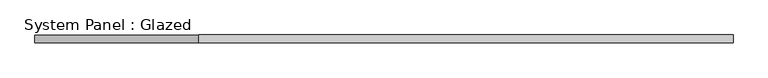
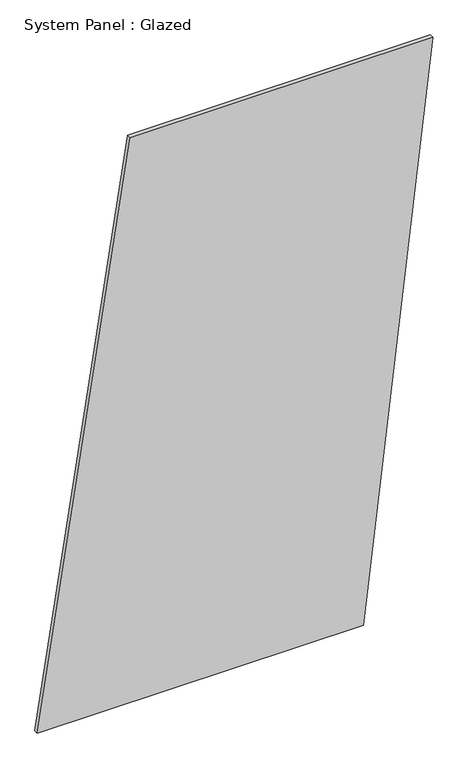
"""IFC4 building model written with IfcOpenShell, lengths in millimetres: plate geometry, System Panel : Glazed."""

from ifc_helpers import new_model, si_unit, frame, origin, place, context, project, spatial, polyline, outline, extrude, source, transform, mapped, element, save


def system_panel_glazed_23161ec7(model_context):
    return source(origin(), model_context, "Body", "SweptSolid", [
        extrude(outline(polyline([(0.0, -1105.2289591), (0.0, 715.9603008), (3332.3060389, 1105.2289591), (3332.3060389, -586.2040814), (0.0, -1105.2289591)])), frame((0.0, -49.5, 0.0), z_axis=(0.0, 1.0, 0.0), x_axis=(0.0, 0.0, 1.0)), (0.0, 0.0, 1.0), 25.0),
    ])


if __name__ == "__main__":
    model = new_model("IFC4")
    model_context = context("Model", 3, world=origin())
    ifc_project = project(units=[si_unit("LENGTHUNIT", "METRE", prefix="MILLI")], contexts=[model_context])
    site = spatial("IfcSite", under=ifc_project)
    building = spatial("IfcBuilding", under=site)
    placement = place(None, origin())
    system_panel_glazed_shape = system_panel_glazed_23161ec7(model_context)
    element("IfcPlate", 1, ObjectType="System Panel : Glazed", at=placement, inside=building, context=model_context, shape_type="MappedRepresentation", body=[
        mapped(system_panel_glazed_shape, transform((0.0, 0.0, 0.0), x_axis=(1.0, 0.0, 0.0), y_axis=(0.0, 1.0, 0.0), z_axis=(0.0, 0.0, 1.0))),
    ])
    save(model, "model.ifc")
